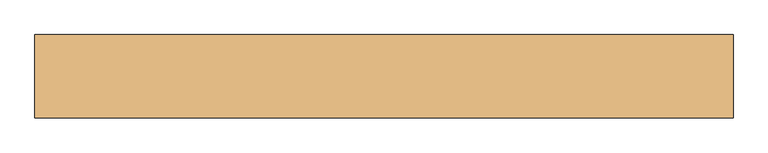
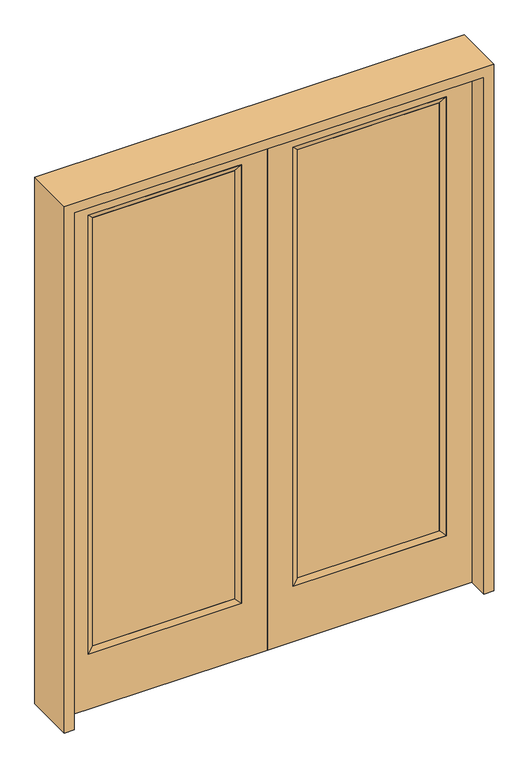
"""IFC4 building model written with IfcOpenShell, lengths in millimetres: door geometry."""

from ifc_helpers import new_model, si_unit, frame, origin, place, context, project, spatial, polyline, outline, extrude, faceted_brep, source, transform, mapped, element, save


def door_2293411d(model_context):
    return source(origin(), model_context, "Body", "SolidModel", [
        extrude(outline(polyline([(140.8176, -12.7039749), (140.8176, 14.2875), (773.5824, 14.2875), (773.5824, -12.7039749), (140.8176, -12.7039749)])), frame((0.0, 0.0, 285.75), z_axis=(0.0, 0.0, 1.0), x_axis=(1.0, 0.0, 0.0)), (0.0, 0.0, 1.0), 2019.3),
        faceted_brep([(140.8176, 14.2875, 2305.05), (140.8176, 14.2875, 285.75), (115.4176, 22.225, 260.35), (115.4176, 22.225, 2330.45), (115.4176, -22.225, 260.35), (115.4176, -22.225, 2330.45), (773.5824, 14.2875, 285.75), (798.9824, 22.225, 260.35), (140.8176, -12.7039749, 2305.05), (140.8176, -12.7039749, 285.75), (773.5824, -12.7039749, 285.75), (798.9824, -22.225, 260.35), (773.5824, 14.2875, 2305.05), (798.9824, 22.225, 2330.45), (773.5824, -12.7039749, 2305.05), (798.9824, -22.225, 2330.45)], [[[0, 1, 2, 3]], [[3, 2, 4, 5]], [[1, 6, 7, 2]], [[8, 9, 1, 0]], [[9, 10, 6, 1]], [[5, 4, 9, 8]], [[4, 11, 10, 9]], [[2, 7, 11, 4]], [[6, 12, 13, 7]], [[10, 14, 12, 6]], [[11, 15, 14, 10]], [[7, 13, 15, 11]], [[12, 0, 3, 13]], [[14, 8, 0, 12]], [[15, 5, 8, 14]], [[13, 3, 5, 15]]]),
        extrude(outline(polyline([(0.0, 914.4), (2438.4, 914.4), (2438.4, 0.0), (0.0, 0.0), (0.0, 914.4)]), holes=[polyline([(260.35, 798.9824), (260.35, 115.4176), (2330.45, 115.4176), (2330.45, 798.9824), (260.35, 798.9824)])]), frame((0.0, -22.225, 0.0), z_axis=(0.0, 1.0, 0.0), x_axis=(0.0, 0.0, 1.0)), (0.0, 0.0, 1.0), 44.45),
        extrude(outline(polyline([(-140.8176, -12.7039749), (-773.5824, -12.7039749), (-773.5824, 14.2875), (-140.8176, 14.2875), (-140.8176, -12.7039749)])), frame((0.0, 0.0, 285.75), z_axis=(0.0, 0.0, 1.0), x_axis=(1.0, 0.0, 0.0)), (0.0, 0.0, 1.0), 2019.3),
        faceted_brep([(-140.8176, 14.2875, 2305.05), (-115.4176, 22.225, 2330.45), (-115.4176, 22.225, 260.35), (-140.8176, 14.2875, 285.75), (-115.4176, -22.225, 2330.45), (-115.4176, -22.225, 260.35), (-798.9824, 22.225, 260.35), (-773.5824, 14.2875, 285.75), (-140.8176, -12.7039749, 2305.05), (-140.8176, -12.7039749, 285.75), (-773.5824, -12.7039749, 285.75), (-798.9824, -22.225, 260.35), (-798.9824, 22.225, 2330.45), (-773.5824, 14.2875, 2305.05), (-773.5824, -12.7039749, 2305.05), (-798.9824, -22.225, 2330.45)], [[[0, 1, 2, 3]], [[1, 4, 5, 2]], [[3, 2, 6, 7]], [[8, 0, 3, 9]], [[9, 3, 7, 10]], [[4, 8, 9, 5]], [[5, 9, 10, 11]], [[2, 5, 11, 6]], [[7, 6, 12, 13]], [[10, 7, 13, 14]], [[11, 10, 14, 15]], [[6, 11, 15, 12]], [[13, 12, 1, 0]], [[14, 13, 0, 8]], [[15, 14, 8, 4]], [[12, 15, 4, 1]]]),
        extrude(outline(polyline([(0.0, -914.4), (0.0, 0.0), (2438.4, 0.0), (2438.4, -914.4), (0.0, -914.4)]), holes=[polyline([(260.35, -798.9824), (2330.45, -798.9824), (2330.45, -115.4176), (260.35, -115.4176), (260.35, -798.9824)])]), frame((0.0, -22.225, 0.0), z_axis=(0.0, 1.0, 0.0), x_axis=(0.0, 0.0, 1.0)), (0.0, 0.0, 1.0), 44.45),
        extrude(outline(polyline([(2482.85, -958.85), (0.0, -958.85), (0.0, -914.4), (2438.4, -914.4), (2438.4, 914.4), (0.0, 914.4), (0.0, 958.85), (2482.85, 958.85), (2482.85, -958.85)])), frame((0.0, -114.3, 0.0), z_axis=(0.0, 1.0, 0.0), x_axis=(0.0, 0.0, 1.0)), (0.0, 0.0, 1.0), 228.6),
    ])


if __name__ == "__main__":
    model = new_model("IFC4")
    model_context = context("Model", 3, world=origin())
    ifc_project = project(units=[si_unit("LENGTHUNIT", "METRE", prefix="MILLI")], contexts=[model_context])
    site = spatial("IfcSite", under=ifc_project)
    building = spatial("IfcBuilding", under=site)
    placement = place(None, origin())
    door_shape = door_2293411d(model_context)
    element("IfcDoor", 1, at=placement, inside=building, context=model_context, shape_type="MappedRepresentation", body=[
        mapped(door_shape, transform((0.0, 0.0, 0.0), x_axis=(1.0, 0.0, 0.0), y_axis=(0.0, 1.0, 0.0), z_axis=(0.0, 0.0, 1.0))),
    ])
    save(model, "model.ifc")
